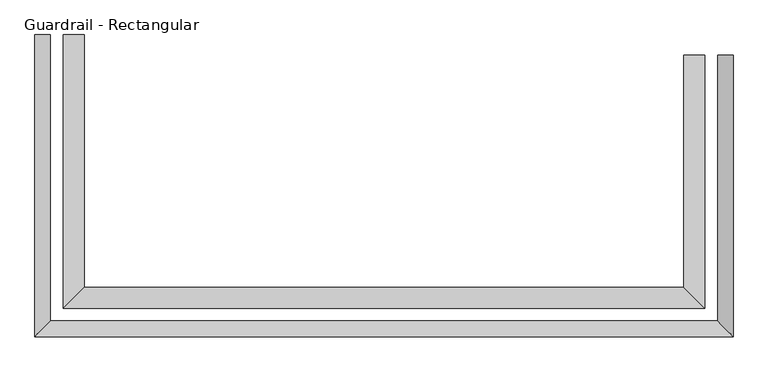
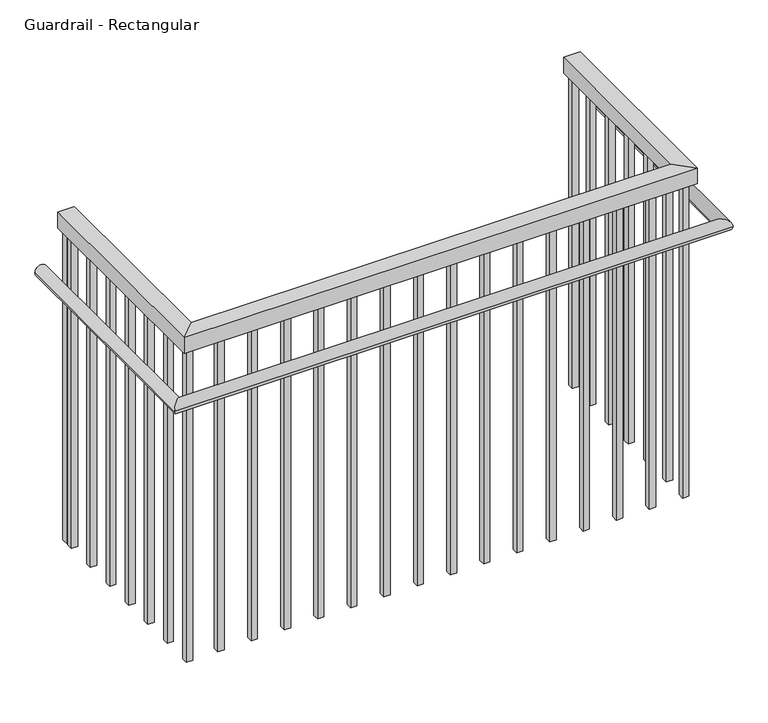
"""IFC4 building model written with IfcOpenShell, lengths in millimetres: railing geometry, Guardrail - Rectangular."""

from ifc_helpers import new_model, si_unit, frame, origin, place, context, project, spatial, polyline, circle_curve, ellipse_curve, outline, extrude, faceted_brep, source, transform, mapped, element, save
from ifc_brep_helpers import plane_surface, cylinder_surface, advanced_brep


def guardrail_rectangular_3982d71f(model_context):
    return source(origin(), model_context, "Body", "SolidModel", [
        faceted_brep([(-4369.3854491, -7072.8937808, 4106.8), (-4318.5854491, -7072.8937808, 4106.8), (-4318.5854491, -7072.8937808, 4056.0), (-4369.3854491, -7072.8937808, 4056.0), (-4369.3854491, -7642.0937808, 4106.8), (-4318.5854491, -7692.8937808, 4106.8), (-4318.5854491, -7692.8937808, 4056.0), (-4369.3854491, -7642.0937808, 4056.0), (-5837.7854491, -7642.0937808, 4106.8), (-5888.5854491, -7692.8937808, 4106.8), (-5888.5854491, -7692.8937808, 4056.0), (-5837.7854491, -7642.0937808, 4056.0), (-5837.7854491, -7022.8937808, 4106.8), (-5837.7854491, -7022.8937808, 4056.0), (-5888.5854491, -7022.8937808, 4056.0), (-5888.5854491, -7022.8937808, 4106.8)], [[[0, 1, 2, 3]], [[1, 0, 4, 5]], [[2, 1, 5, 6]], [[3, 2, 6, 7]], [[0, 3, 7, 4]], [[5, 4, 8, 9]], [[6, 5, 9, 10]], [[7, 6, 10, 11]], [[4, 7, 11, 8]], [[12, 13, 14, 15]], [[9, 8, 12, 15]], [[10, 9, 15, 14]], [[11, 10, 14, 13]], [[8, 11, 13, 12]]]),
        advanced_brep(
        [(-4248.7354491, -7072.8937808, 3935.35), (-4286.8354491, -7072.8937808, 3935.35), (-4248.7354491, -7762.7437808, 3935.35), (-4286.8354491, -7724.6437808, 3935.35), (-5958.4354491, -7762.7437808, 3935.35), (-5920.3354491, -7724.6437808, 3935.35), (-5958.4354491, -7022.8937808, 3935.35), (-5920.3354491, -7022.8937808, 3935.35)],
        [
            (0, 1, circle_curve(frame((-4267.7854491, -7072.8937808, 3935.35), z_axis=(0.0, 1.0, 0.0), x_axis=(-1.0, 0.0, 0.0)), 19.05)),
            (1, 0, circle_curve(frame((-4267.7854491, -7072.8937808, 3935.35), z_axis=(0.0, 1.0, 0.0), x_axis=(-1.0, 0.0, 0.0)), 19.05)),
            (0, 2),
            (2, 3, ellipse_curve(frame((-4267.7854491, -7743.6937808, 3935.35), z_axis=(0.7071067811865493, 0.7071067811865456, 0.0), x_axis=(-0.7071067811865456, 0.7071067811865496, 0.0)), 26.9407684, 19.05)),
            (3, 1),
            (3, 2, ellipse_curve(frame((-4267.7854491, -7743.6937808, 3935.35), z_axis=(0.7071067811865493, 0.7071067811865456, 0.0), x_axis=(-0.7071067811865456, 0.7071067811865496, 0.0)), 26.9407684, 19.05)),
            (2, 4),
            (4, 5, ellipse_curve(frame((-5939.3854491, -7743.6937808, 3935.35), z_axis=(0.7071067811865455, -0.7071067811865495, 0.0), x_axis=(0.7071067811865497, 0.7071067811865454, 0.0)), 26.9407684, 19.05)),
            (5, 3),
            (5, 4, ellipse_curve(frame((-5939.3854491, -7743.6937808, 3935.35), z_axis=(0.7071067811865455, -0.7071067811865495, 0.0), x_axis=(0.7071067811865497, 0.7071067811865454, 0.0)), 26.9407684, 19.05)),
            (6, 7, circle_curve(frame((-5939.3854491, -7022.8937808, 3935.35), z_axis=(0.0, 1.0, 0.0), x_axis=(1.0, 0.0, 0.0)), 19.05)),
            (7, 6, circle_curve(frame((-5939.3854491, -7022.8937808, 3935.35), z_axis=(0.0, 1.0, 0.0), x_axis=(1.0, 0.0, 0.0)), 19.05)),
            (4, 6),
            (7, 5),
        ],
        [
            plane_surface(frame((-4267.7854491, -7072.8937808, 3954.4), z_axis=(0.0, 1.0, 0.0), x_axis=(0.0, 0.0, -1.0))),
            cylinder_surface(frame((-4267.7854491, -7072.8937808, 3935.35), z_axis=(0.0, 1.0, 0.0), x_axis=(-1.0, 0.0, 0.0)), 19.05),
            cylinder_surface(frame((-4267.7854491, -7743.6937808, 3935.35), z_axis=(1.0, 0.0, 0.0), x_axis=(0.0, 1.0, 0.0)), 19.05),
            plane_surface(frame((-5939.3854491, -7022.8937808, 3954.4), z_axis=(0.0, 1.0, 0.0), x_axis=(0.0, 0.0, 1.0))),
            cylinder_surface(frame((-5939.3854491, -7743.6937808, 3935.35), z_axis=(0.0, -1.0, 0.0), x_axis=(1.0, 0.0, 0.0)), 19.05),
        ],
        [
            (0, [[1, 2]]),
            (1, [[-1, 3, 4, 5]]),
            (1, [[-2, -5, 6, -3]]),
            (2, [[-4, 7, 8, 9]]),
            (2, [[-6, -9, 10, -7]]),
            (3, [[11, 12]]),
            (4, [[-8, 13, -12, 14]]),
            (4, [[-10, -14, -11, -13]]),
        ],
    ),
        extrude(outline(polyline([(-5853.6604491, -7067.4187808), (-5872.7104491, -7067.4187808), (-5872.7104491, -7048.3687808), (-5853.6604491, -7048.3687808), (-5853.6604491, -7067.4187808)])), frame((0.0, 0.0, 3040.0), z_axis=(0.0, 0.0, 1.0), x_axis=(1.0, 0.0, 0.0)), (0.0, 0.0, 1.0), 1016.0),
        extrude(outline(polyline([(-5853.6604491, -7169.0187808), (-5872.7104491, -7169.0187808), (-5872.7104491, -7149.9687808), (-5853.6604491, -7149.9687808), (-5853.6604491, -7169.0187808)])), frame((0.0, 0.0, 3040.0), z_axis=(0.0, 0.0, 1.0), x_axis=(1.0, 0.0, 0.0)), (0.0, 0.0, 1.0), 1016.0),
        extrude(outline(polyline([(-5853.6604491, -7270.6187808), (-5872.7104491, -7270.6187808), (-5872.7104491, -7251.5687808), (-5853.6604491, -7251.5687808), (-5853.6604491, -7270.6187808)])), frame((0.0, 0.0, 3040.0), z_axis=(0.0, 0.0, 1.0), x_axis=(1.0, 0.0, 0.0)), (0.0, 0.0, 1.0), 1016.0),
        extrude(outline(polyline([(-5853.6604491, -7372.2187808), (-5872.7104491, -7372.2187808), (-5872.7104491, -7353.1687808), (-5853.6604491, -7353.1687808), (-5853.6604491, -7372.2187808)])), frame((0.0, 0.0, 3040.0), z_axis=(0.0, 0.0, 1.0), x_axis=(1.0, 0.0, 0.0)), (0.0, 0.0, 1.0), 1016.0),
        extrude(outline(polyline([(-5853.6604491, -7473.8187808), (-5872.7104491, -7473.8187808), (-5872.7104491, -7454.7687808), (-5853.6604491, -7454.7687808), (-5853.6604491, -7473.8187808)])), frame((0.0, 0.0, 3040.0), z_axis=(0.0, 0.0, 1.0), x_axis=(1.0, 0.0, 0.0)), (0.0, 0.0, 1.0), 1016.0),
        extrude(outline(polyline([(-5853.6604491, -7575.4187808), (-5872.7104491, -7575.4187808), (-5872.7104491, -7556.3687808), (-5853.6604491, -7556.3687808), (-5853.6604491, -7575.4187808)])), frame((0.0, 0.0, 3040.0), z_axis=(0.0, 0.0, 1.0), x_axis=(1.0, 0.0, 0.0)), (0.0, 0.0, 1.0), 1016.0),
        extrude(outline(polyline([(-5756.8604491, -7657.9687808), (-5756.8604491, -7677.0187808), (-5775.9104491, -7677.0187808), (-5775.9104491, -7657.9687808), (-5756.8604491, -7657.9687808)])), frame((0.0, 0.0, 3040.0), z_axis=(0.0, 0.0, 1.0), x_axis=(1.0, 0.0, 0.0)), (0.0, 0.0, 1.0), 1016.0),
        extrude(outline(polyline([(-5655.2604491, -7657.9687808), (-5655.2604491, -7677.0187808), (-5674.3104491, -7677.0187808), (-5674.3104491, -7657.9687808), (-5655.2604491, -7657.9687808)])), frame((0.0, 0.0, 3040.0), z_axis=(0.0, 0.0, 1.0), x_axis=(1.0, 0.0, 0.0)), (0.0, 0.0, 1.0), 1016.0),
        extrude(outline(polyline([(-5553.6604491, -7657.9687808), (-5553.6604491, -7677.0187808), (-5572.7104491, -7677.0187808), (-5572.7104491, -7657.9687808), (-5553.6604491, -7657.9687808)])), frame((0.0, 0.0, 3040.0), z_axis=(0.0, 0.0, 1.0), x_axis=(1.0, 0.0, 0.0)), (0.0, 0.0, 1.0), 1016.0),
        extrude(outline(polyline([(-5452.0604491, -7657.9687808), (-5452.0604491, -7677.0187808), (-5471.1104491, -7677.0187808), (-5471.1104491, -7657.9687808), (-5452.0604491, -7657.9687808)])), frame((0.0, 0.0, 3040.0), z_axis=(0.0, 0.0, 1.0), x_axis=(1.0, 0.0, 0.0)), (0.0, 0.0, 1.0), 1016.0),
        extrude(outline(polyline([(-5350.4604491, -7657.9687808), (-5350.4604491, -7677.0187808), (-5369.5104491, -7677.0187808), (-5369.5104491, -7657.9687808), (-5350.4604491, -7657.9687808)])), frame((0.0, 0.0, 3040.0), z_axis=(0.0, 0.0, 1.0), x_axis=(1.0, 0.0, 0.0)), (0.0, 0.0, 1.0), 1016.0),
        extrude(outline(polyline([(-5248.8604491, -7657.9687808), (-5248.8604491, -7677.0187808), (-5267.9104491, -7677.0187808), (-5267.9104491, -7657.9687808), (-5248.8604491, -7657.9687808)])), frame((0.0, 0.0, 3040.0), z_axis=(0.0, 0.0, 1.0), x_axis=(1.0, 0.0, 0.0)), (0.0, 0.0, 1.0), 1016.0),
        extrude(outline(polyline([(-5147.2604491, -7657.9687808), (-5147.2604491, -7677.0187808), (-5166.3104491, -7677.0187808), (-5166.3104491, -7657.9687808), (-5147.2604491, -7657.9687808)])), frame((0.0, 0.0, 3040.0), z_axis=(0.0, 0.0, 1.0), x_axis=(1.0, 0.0, 0.0)), (0.0, 0.0, 1.0), 1016.0),
        extrude(outline(polyline([(-5045.6604491, -7657.9687808), (-5045.6604491, -7677.0187808), (-5064.7104491, -7677.0187808), (-5064.7104491, -7657.9687808), (-5045.6604491, -7657.9687808)])), frame((0.0, 0.0, 3040.0), z_axis=(0.0, 0.0, 1.0), x_axis=(1.0, 0.0, 0.0)), (0.0, 0.0, 1.0), 1016.0),
        extrude(outline(polyline([(-4944.0604491, -7657.9687808), (-4944.0604491, -7677.0187808), (-4963.1104491, -7677.0187808), (-4963.1104491, -7657.9687808), (-4944.0604491, -7657.9687808)])), frame((0.0, 0.0, 3040.0), z_axis=(0.0, 0.0, 1.0), x_axis=(1.0, 0.0, 0.0)), (0.0, 0.0, 1.0), 1016.0),
        extrude(outline(polyline([(-4842.4604491, -7657.9687808), (-4842.4604491, -7677.0187808), (-4861.5104491, -7677.0187808), (-4861.5104491, -7657.9687808), (-4842.4604491, -7657.9687808)])), frame((0.0, 0.0, 3040.0), z_axis=(0.0, 0.0, 1.0), x_axis=(1.0, 0.0, 0.0)), (0.0, 0.0, 1.0), 1016.0),
        extrude(outline(polyline([(-4740.8604491, -7657.9687808), (-4740.8604491, -7677.0187808), (-4759.9104491, -7677.0187808), (-4759.9104491, -7657.9687808), (-4740.8604491, -7657.9687808)])), frame((0.0, 0.0, 3040.0), z_axis=(0.0, 0.0, 1.0), x_axis=(1.0, 0.0, 0.0)), (0.0, 0.0, 1.0), 1016.0),
        extrude(outline(polyline([(-4639.2604491, -7657.9687808), (-4639.2604491, -7677.0187808), (-4658.3104491, -7677.0187808), (-4658.3104491, -7657.9687808), (-4639.2604491, -7657.9687808)])), frame((0.0, 0.0, 3040.0), z_axis=(0.0, 0.0, 1.0), x_axis=(1.0, 0.0, 0.0)), (0.0, 0.0, 1.0), 1016.0),
        extrude(outline(polyline([(-4537.6604491, -7657.9687808), (-4537.6604491, -7677.0187808), (-4556.7104491, -7677.0187808), (-4556.7104491, -7657.9687808), (-4537.6604491, -7657.9687808)])), frame((0.0, 0.0, 3040.0), z_axis=(0.0, 0.0, 1.0), x_axis=(1.0, 0.0, 0.0)), (0.0, 0.0, 1.0), 1016.0),
        extrude(outline(polyline([(-4436.0604491, -7657.9687808), (-4436.0604491, -7677.0187808), (-4455.1104491, -7677.0187808), (-4455.1104491, -7657.9687808), (-4436.0604491, -7657.9687808)])), frame((0.0, 0.0, 3040.0), z_axis=(0.0, 0.0, 1.0), x_axis=(1.0, 0.0, 0.0)), (0.0, 0.0, 1.0), 1016.0),
        extrude(outline(polyline([(-4353.5104491, -7571.3687808), (-4334.4604491, -7571.3687808), (-4334.4604491, -7590.4187808), (-4353.5104491, -7590.4187808), (-4353.5104491, -7571.3687808)])), frame((0.0, 0.0, 3040.0), z_axis=(0.0, 0.0, 1.0), x_axis=(1.0, 0.0, 0.0)), (0.0, 0.0, 1.0), 1016.0),
        extrude(outline(polyline([(-4353.5104491, -7469.7687808), (-4334.4604491, -7469.7687808), (-4334.4604491, -7488.8187808), (-4353.5104491, -7488.8187808), (-4353.5104491, -7469.7687808)])), frame((0.0, 0.0, 3040.0), z_axis=(0.0, 0.0, 1.0), x_axis=(1.0, 0.0, 0.0)), (0.0, 0.0, 1.0), 1016.0),
        extrude(outline(polyline([(-4353.5104491, -7368.1687808), (-4334.4604491, -7368.1687808), (-4334.4604491, -7387.2187808), (-4353.5104491, -7387.2187808), (-4353.5104491, -7368.1687808)])), frame((0.0, 0.0, 3040.0), z_axis=(0.0, 0.0, 1.0), x_axis=(1.0, 0.0, 0.0)), (0.0, 0.0, 1.0), 1016.0),
        extrude(outline(polyline([(-4353.5104491, -7266.5687808), (-4334.4604491, -7266.5687808), (-4334.4604491, -7285.6187808), (-4353.5104491, -7285.6187808), (-4353.5104491, -7266.5687808)])), frame((0.0, 0.0, 3040.0), z_axis=(0.0, 0.0, 1.0), x_axis=(1.0, 0.0, 0.0)), (0.0, 0.0, 1.0), 1016.0),
        extrude(outline(polyline([(-4353.5104491, -7164.9687808), (-4334.4604491, -7164.9687808), (-4334.4604491, -7184.0187808), (-4353.5104491, -7184.0187808), (-4353.5104491, -7164.9687808)])), frame((0.0, 0.0, 3040.0), z_axis=(0.0, 0.0, 1.0), x_axis=(1.0, 0.0, 0.0)), (0.0, 0.0, 1.0), 1016.0),
        extrude(outline(polyline([(-5853.6604491, -7657.9687808), (-5853.6604491, -7677.0187808), (-5872.7104491, -7677.0187808), (-5872.7104491, -7657.9687808), (-5853.6604491, -7657.9687808)])), frame((0.0, 0.0, 3040.0), z_axis=(0.0, 0.0, 1.0), x_axis=(1.0, 0.0, 0.0)), (0.0, 0.0, 1.0), 1016.0),
        extrude(outline(polyline([(-4353.5104491, -7657.9687808), (-4334.4604491, -7657.9687808), (-4334.4604491, -7677.0187808), (-4353.5104491, -7677.0187808), (-4353.5104491, -7657.9687808)])), frame((0.0, 0.0, 3040.0), z_axis=(0.0, 0.0, 1.0), x_axis=(1.0, 0.0, 0.0)), (0.0, 0.0, 1.0), 1016.0),
        extrude(outline(polyline([(-5853.6604491, -7041.9437808), (-5872.7104491, -7041.9437808), (-5872.7104491, -7022.8937808), (-5853.6604491, -7022.8937808), (-5853.6604491, -7041.9437808)])), frame((0.0, 0.0, 3040.0), z_axis=(0.0, 0.0, 1.0), x_axis=(1.0, 0.0, 0.0)), (0.0, 0.0, 1.0), 1016.0),
        extrude(outline(polyline([(-4353.5104491, -7072.8937808), (-4334.4604491, -7072.8937808), (-4334.4604491, -7091.9437808), (-4353.5104491, -7091.9437808), (-4353.5104491, -7072.8937808)])), frame((0.0, 0.0, 3040.0), z_axis=(0.0, 0.0, 1.0), x_axis=(1.0, 0.0, 0.0)), (0.0, 0.0, 1.0), 1016.0),
    ])


if __name__ == "__main__":
    model = new_model("IFC4")
    model_context = context("Model", 3, world=origin())
    ifc_project = project(units=[si_unit("LENGTHUNIT", "METRE", prefix="MILLI")], contexts=[model_context])
    site = spatial("IfcSite", under=ifc_project)
    building = spatial("IfcBuilding", under=site)
    placement = place(None, origin())
    guardrail_rectangular_shape = guardrail_rectangular_3982d71f(model_context)
    element("IfcRailing", 1, ObjectType="Guardrail - Rectangular", at=placement, inside=building, context=model_context, shape_type="MappedRepresentation", body=[
        mapped(guardrail_rectangular_shape, transform((0.0, 0.0, 0.0), x_axis=(1.0, 0.0, 0.0), y_axis=(0.0, 1.0, 0.0), z_axis=(0.0, 0.0, 1.0))),
    ])
    save(model, "model.ifc")
